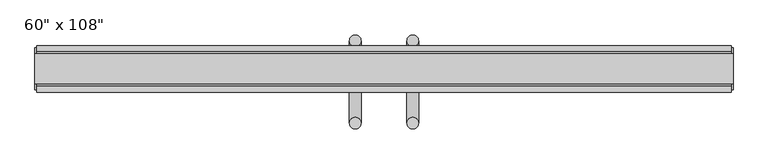
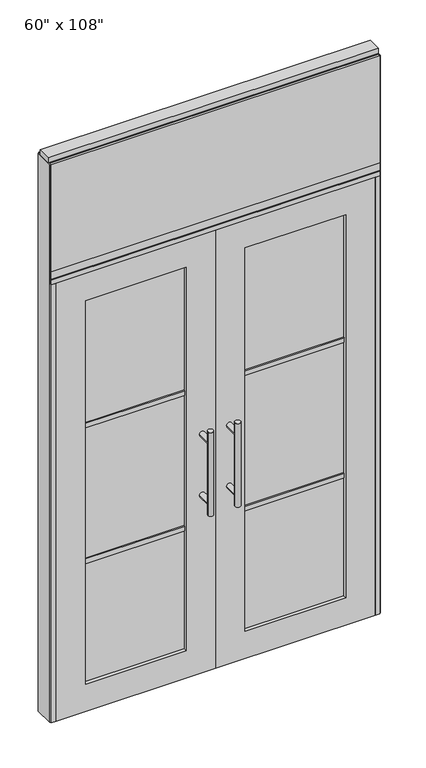
"""IFC4 building model written with IfcOpenShell, lengths in millimetres: furniture geometry."""

from ifc_helpers import new_model, si_unit, frame, origin, origin_with_axes, place, context, project, spatial, polyline, circle_curve, ellipse_curve, outline, extrude, source, transform, mapped, element, save
from ifc_brep_helpers import plane_surface, cylinder_surface, advanced_brep


def furniture_99622d96(model_context):
    return source(origin(), model_context, "Body", "SolidModel", [
        extrude(outline(polyline([(698.0264771, 46.2822784), (698.0264771, 33.5822784), (-818.0995229, 33.5822784), (-818.0995229, 46.2822784), (698.0264771, 46.2822784)])), frame((0.0, 0.0, 2197.1), z_axis=(0.0, 0.0, 1.0), x_axis=(1.0, 0.0, 0.0)), (0.0, 0.0, 1.0), 520.7),
        extrude(outline(polyline([(698.0264771, -55.3177216), (-818.0995229, -55.3177216), (-818.0995229, -42.6177216), (698.0264771, -42.6177216), (698.0264771, -55.3177216)])), frame((0.0, 0.0, 2197.1), z_axis=(0.0, 0.0, 1.0), x_axis=(1.0, 0.0, 0.0)), (0.0, 0.0, 1.0), 520.7),
        advanced_brep(
        [(-110.0745229, 56.6962784, 1219.2), (-135.4745229, 56.6962784, 1219.2), (-110.0745229, 56.6962784, 812.8), (-135.4745229, 56.6962784, 812.8), (-110.0745229, 56.6962784, 1164.336), (-110.0745229, 56.6962784, 867.664), (-135.4745229, 56.6962784, 867.664), (-135.4745229, 56.6962784, 1164.336), (-110.0745229, -10.8677216, 1164.336), (-135.4745229, -10.8677216, 1164.336), (-110.0745229, -10.8677216, 867.664), (-135.4745229, -10.8677216, 867.664)],
        [
            (0, 1, circle_curve(frame((-122.7745229, 56.6962784, 1219.2), z_axis=(0.0, 0.0, 1.0), x_axis=(-1.0, 0.0, 0.0)), 12.7)),
            (1, 0, circle_curve(frame((-122.7745229, 56.6962784, 1219.2), z_axis=(0.0, 0.0, 1.0), x_axis=(-1.0, 0.0, 0.0)), 12.7)),
            (2, 3, circle_curve(frame((-122.7745229, 56.6962784, 812.8), z_axis=(0.0, 0.0, -1.0), x_axis=(-1.0, 0.0, 0.0)), 12.7)),
            (3, 2, circle_curve(frame((-122.7745229, 56.6962784, 812.8), z_axis=(0.0, 0.0, -1.0), x_axis=(-1.0, 0.0, 0.0)), 12.7)),
            (0, 4),
            (4, 5),
            (5, 2),
            (3, 6),
            (6, 7),
            (7, 1),
            (7, 4, ellipse_curve(frame((-122.7745229, 56.6962784, 1164.336), z_axis=(0.0, 0.707106781186565, 0.70710678118653), x_axis=(0.0, -0.70710678118653, 0.707106781186565)), 17.9605122, 12.7)),
            (5, 6, ellipse_curve(frame((-122.7745229, 56.6962784, 867.664), z_axis=(0.0, 0.70710678118653, -0.7071067811865649), x_axis=(0.0, 0.7071067811865648, 0.7071067811865301)), 17.9605122, 12.7)),
            (4, 7, ellipse_curve(frame((-122.7745229, 56.6962784, 1164.336), z_axis=(0.0, 0.70710678118653, -0.7071067811865649), x_axis=(0.0, 0.7071067811865648, 0.7071067811865301)), 17.9605122, 12.7)),
            (6, 5, ellipse_curve(frame((-122.7745229, 56.6962784, 867.664), z_axis=(0.0, 0.707106781186565, 0.70710678118653), x_axis=(0.0, -0.70710678118653, 0.707106781186565)), 17.9605122, 12.7)),
            (8, 9, circle_curve(frame((-122.7745229, -10.8677216, 1164.336), z_axis=(0.0, -1.0, 0.0), x_axis=(-1.0, 0.0, 0.0)), 12.7)),
            (9, 8, circle_curve(frame((-122.7745229, -10.8677216, 1164.336), z_axis=(0.0, -1.0, 0.0), x_axis=(-1.0, 0.0, 0.0)), 12.7)),
            (9, 7),
            (4, 8),
            (10, 11, circle_curve(frame((-122.7745229, -10.8677216, 867.664), z_axis=(0.0, -1.0, 0.0), x_axis=(-1.0, 0.0, 0.0)), 12.7)),
            (11, 10, circle_curve(frame((-122.7745229, -10.8677216, 867.664), z_axis=(0.0, -1.0, 0.0), x_axis=(-1.0, 0.0, 0.0)), 12.7)),
            (11, 6),
            (5, 10),
        ],
        [
            plane_surface(frame((-135.4745229, 56.6962784, 1219.2), z_axis=(0.0, 0.0, 1.0), x_axis=(0.0, -1.0, 0.0))),
            plane_surface(frame((-135.4745229, 56.6962784, 812.8), z_axis=(0.0, 0.0, -1.0), x_axis=(0.0, 1.0, 0.0))),
            cylinder_surface(frame((-122.7745229, 56.6962784, 812.8), z_axis=(0.0, 0.0, 1.0), x_axis=(-1.0, 0.0, 0.0)), 12.7),
            plane_surface(frame((-135.4745229, -10.8677216, 1164.336), z_axis=(0.0, -1.0, 0.0), x_axis=(0.0, 0.0, -1.0))),
            cylinder_surface(frame((-122.7745229, -10.8677216, 1164.336), z_axis=(0.0, 1.0, 0.0), x_axis=(-1.0, 0.0, 0.0)), 12.7),
            plane_surface(frame((-135.4745229, -10.8677216, 867.664), z_axis=(0.0, -1.0, 0.0), x_axis=(0.0, 0.0, -1.0))),
            cylinder_surface(frame((-122.7745229, -10.8677216, 867.664), z_axis=(0.0, 1.0, 0.0), x_axis=(-1.0, 0.0, 0.0)), 12.7),
        ],
        [
            (0, [[1, 2]]),
            (1, [[3, 4]]),
            (2, [[-1, 5, 6, 7, -4, 8, 9, 10]]),
            (2, [[-2, -10, 11, -5]]),
            (2, [[-3, -7, 12, -8]]),
            (2, [[13, -9, 14, -6]]),
            (3, [[15, 16]]),
            (4, [[-16, 17, -13, 18]]),
            (4, [[-15, -18, -11, -17]]),
            (5, [[19, 20]]),
            (6, [[-20, 21, -12, 22]]),
            (6, [[-19, -22, -14, -21]]),
        ],
    ),
        advanced_brep(
        [(-110.0745229, -122.8817216, 1219.2), (-135.4745229, -122.8817216, 1219.2), (-110.0745229, -122.8817216, 812.8), (-135.4745229, -122.8817216, 812.8), (-135.4745229, -122.8817216, 1164.336), (-135.4745229, -122.8817216, 867.664), (-110.0745229, -122.8817216, 867.664), (-110.0745229, -122.8817216, 1164.336), (-110.0745229, -55.3177216, 1164.336), (-135.4745229, -55.3177216, 1164.336), (-110.0745229, -55.3177216, 867.664), (-135.4745229, -55.3177216, 867.664)],
        [
            (0, 1, circle_curve(frame((-122.7745229, -122.8817216, 1219.2), z_axis=(0.0, 0.0, 1.0), x_axis=(-1.0, 0.0, 0.0)), 12.7)),
            (1, 0, circle_curve(frame((-122.7745229, -122.8817216, 1219.2), z_axis=(0.0, 0.0, 1.0), x_axis=(-1.0, 0.0, 0.0)), 12.7)),
            (2, 3, circle_curve(frame((-122.7745229, -122.8817216, 812.8), z_axis=(0.0, 0.0, -1.0), x_axis=(-1.0, 0.0, 0.0)), 12.7)),
            (3, 2, circle_curve(frame((-122.7745229, -122.8817216, 812.8), z_axis=(0.0, 0.0, -1.0), x_axis=(-1.0, 0.0, 0.0)), 12.7)),
            (1, 4),
            (4, 5),
            (5, 3),
            (2, 6),
            (6, 7),
            (7, 0),
            (6, 5, ellipse_curve(frame((-122.7745229, -122.8817216, 867.664), z_axis=(0.0, -0.707106781186565, 0.70710678118653), x_axis=(0.0, 0.70710678118653, 0.707106781186565)), 17.9605122, 12.7)),
            (4, 7, ellipse_curve(frame((-122.7745229, -122.8817216, 1164.336), z_axis=(0.0, -0.70710678118653, -0.7071067811865649), x_axis=(0.0, -0.7071067811865648, 0.7071067811865301)), 17.9605122, 12.7)),
            (7, 4, ellipse_curve(frame((-122.7745229, -122.8817216, 1164.336), z_axis=(0.0, -0.707106781186565, 0.70710678118653), x_axis=(0.0, 0.70710678118653, 0.707106781186565)), 17.9605122, 12.7)),
            (5, 6, ellipse_curve(frame((-122.7745229, -122.8817216, 867.664), z_axis=(0.0, -0.70710678118653, -0.7071067811865649), x_axis=(0.0, -0.7071067811865648, 0.7071067811865301)), 17.9605122, 12.7)),
            (8, 9, circle_curve(frame((-122.7745229, -55.3177216, 1164.336), z_axis=(0.0, 1.0, 0.0), x_axis=(-1.0, 0.0, 0.0)), 12.7)),
            (9, 8, circle_curve(frame((-122.7745229, -55.3177216, 1164.336), z_axis=(0.0, 1.0, 0.0), x_axis=(-1.0, 0.0, 0.0)), 12.7)),
            (8, 7),
            (4, 9),
            (10, 11, circle_curve(frame((-122.7745229, -55.3177216, 867.664), z_axis=(0.0, 1.0, 0.0), x_axis=(-1.0, 0.0, 0.0)), 12.7)),
            (11, 10, circle_curve(frame((-122.7745229, -55.3177216, 867.664), z_axis=(0.0, 1.0, 0.0), x_axis=(-1.0, 0.0, 0.0)), 12.7)),
            (10, 6),
            (5, 11),
        ],
        [
            plane_surface(frame((-135.4745229, -122.8817216, 1219.2), z_axis=(0.0, 0.0, 1.0), x_axis=(0.0, 1.0, 0.0))),
            plane_surface(frame((-135.4745229, -122.8817216, 812.8), z_axis=(0.0, 0.0, -1.0), x_axis=(0.0, -1.0, 0.0))),
            cylinder_surface(frame((-122.7745229, -122.8817216, 812.8), z_axis=(0.0, 0.0, 1.0), x_axis=(-1.0, 0.0, 0.0)), 12.7),
            plane_surface(frame((-135.4745229, -55.3177216, 1164.336), z_axis=(0.0, 1.0, 0.0), x_axis=(0.0, 0.0, -1.0))),
            cylinder_surface(frame((-122.7745229, -55.3177216, 1164.336), z_axis=(0.0, -1.0, 0.0), x_axis=(-1.0, 0.0, 0.0)), 12.7),
            plane_surface(frame((-135.4745229, -55.3177216, 867.664), z_axis=(0.0, 1.0, 0.0), x_axis=(0.0, 0.0, -1.0))),
            cylinder_surface(frame((-122.7745229, -55.3177216, 867.664), z_axis=(0.0, -1.0, 0.0), x_axis=(-1.0, 0.0, 0.0)), 12.7),
        ],
        [
            (0, [[1, 2]]),
            (1, [[3, 4]]),
            (2, [[5, 6, 7, -3, 8, 9, 10, -2]]),
            (2, [[-9, 11, -6, 12]]),
            (2, [[-10, 13, -5, -1]]),
            (2, [[-7, 14, -8, -4]]),
            (3, [[15, 16]]),
            (4, [[17, -12, 18, -15]]),
            (4, [[-18, -13, -17, -16]]),
            (5, [[19, 20]]),
            (6, [[21, -14, 22, -19]]),
            (6, [[-22, -11, -21, -20]]),
        ],
    ),
        extrude(outline(polyline([(-196.0535229, -44.2052216), (-659.8575229, -44.2052216), (-659.8575229, -21.9802216), (-196.0535229, -21.9802216), (-196.0535229, -44.2052216)])), frame((0.0, 0.0, 1371.6), z_axis=(0.0, 0.0, 1.0), x_axis=(1.0, 0.0, 0.0)), (0.0, 0.0, 1.0), 22.225),
        extrude(outline(polyline([(-196.0535229, -44.2052216), (-659.8575229, -44.2052216), (-659.8575229, -21.9802216), (-196.0535229, -21.9802216), (-196.0535229, -44.2052216)])), frame((0.0, 0.0, 711.2), z_axis=(0.0, 0.0, 1.0), x_axis=(1.0, 0.0, 0.0)), (0.0, 0.0, 1.0), 22.225),
        extrude(outline(polyline([(-659.8575229, -38.1727216), (-659.8575229, -28.0127216), (-196.0535229, -28.0127216), (-196.0535229, -38.1727216), (-659.8575229, -38.1727216)])), frame((0.0, 0.0, 132.969), z_axis=(0.0, 0.0, 1.0), x_axis=(1.0, 0.0, 0.0)), (0.0, 0.0, 1.0), 1867.662),
        extrude(outline(polyline([(2133.6, -795.8745229), (0.0, -795.8745229), (0.0, -60.0365229), (2133.6, -60.0365229), (2133.6, -795.8745229)]), holes=[polyline([(2000.631, -659.8575229), (2000.631, -196.0535229), (132.969, -196.0535229), (132.969, -659.8575229), (2000.631, -659.8575229)])]), frame((0.0, -55.3177216, 0.0), z_axis=(0.0, 1.0, 0.0), x_axis=(0.0, 0.0, 1.0)), (0.0, 0.0, 1.0), 44.45),
        advanced_brep(
        [(-9.9985229, 56.6962784, 1219.2), (15.4014771, 56.6962784, 1219.2), (-9.9985229, 56.6962784, 812.8), (15.4014771, 56.6962784, 812.8), (15.4014771, 56.6962784, 1164.336), (15.4014771, 56.6962784, 867.664), (-9.9985229, 56.6962784, 867.664), (-9.9985229, 56.6962784, 1164.336), (-9.9985229, -10.8677216, 1164.336), (15.4014771, -10.8677216, 1164.336), (-9.9985229, -10.8677216, 867.664), (15.4014771, -10.8677216, 867.664)],
        [
            (0, 1, circle_curve(frame((2.7014771, 56.6962784, 1219.2), z_axis=(0.0, 0.0, 1.0), x_axis=(1.0, 0.0, 0.0)), 12.7)),
            (1, 0, circle_curve(frame((2.7014771, 56.6962784, 1219.2), z_axis=(0.0, 0.0, 1.0), x_axis=(1.0, 0.0, 0.0)), 12.7)),
            (2, 3, circle_curve(frame((2.7014771, 56.6962784, 812.8), z_axis=(0.0, 0.0, -1.0), x_axis=(1.0, 0.0, 0.0)), 12.7)),
            (3, 2, circle_curve(frame((2.7014771, 56.6962784, 812.8), z_axis=(0.0, 0.0, -1.0), x_axis=(1.0, 0.0, 0.0)), 12.7)),
            (1, 4),
            (4, 5),
            (5, 3),
            (2, 6),
            (6, 7),
            (7, 0),
            (6, 5, ellipse_curve(frame((2.7014771, 56.6962784, 867.664), z_axis=(0.0, 0.707106781186565, 0.70710678118653), x_axis=(0.0, -0.70710678118653, 0.707106781186565)), 17.9605122, 12.7)),
            (4, 7, ellipse_curve(frame((2.7014771, 56.6962784, 1164.336), z_axis=(0.0, 0.70710678118653, -0.7071067811865649), x_axis=(0.0, 0.7071067811865648, 0.7071067811865301)), 17.9605122, 12.7)),
            (7, 4, ellipse_curve(frame((2.7014771, 56.6962784, 1164.336), z_axis=(0.0, 0.707106781186565, 0.70710678118653), x_axis=(0.0, -0.70710678118653, 0.707106781186565)), 17.9605122, 12.7)),
            (5, 6, ellipse_curve(frame((2.7014771, 56.6962784, 867.664), z_axis=(0.0, 0.70710678118653, -0.7071067811865649), x_axis=(0.0, 0.7071067811865648, 0.7071067811865301)), 17.9605122, 12.7)),
            (8, 9, circle_curve(frame((2.7014771, -10.8677216, 1164.336), z_axis=(0.0, -1.0, 0.0), x_axis=(1.0, 0.0, 0.0)), 12.7)),
            (9, 8, circle_curve(frame((2.7014771, -10.8677216, 1164.336), z_axis=(0.0, -1.0, 0.0), x_axis=(1.0, 0.0, 0.0)), 12.7)),
            (8, 7),
            (4, 9),
            (10, 11, circle_curve(frame((2.7014771, -10.8677216, 867.664), z_axis=(0.0, -1.0, 0.0), x_axis=(1.0, 0.0, 0.0)), 12.7)),
            (11, 10, circle_curve(frame((2.7014771, -10.8677216, 867.664), z_axis=(0.0, -1.0, 0.0), x_axis=(1.0, 0.0, 0.0)), 12.7)),
            (10, 6),
            (5, 11),
        ],
        [
            plane_surface(frame((15.4014771, 56.6962784, 1219.2), z_axis=(0.0, 0.0, 1.0), x_axis=(0.0, -1.0, 0.0))),
            plane_surface(frame((15.4014771, 56.6962784, 812.8), z_axis=(0.0, 0.0, -1.0), x_axis=(0.0, 1.0, 0.0))),
            cylinder_surface(frame((2.7014771, 56.6962784, 812.8), z_axis=(0.0, 0.0, 1.0), x_axis=(1.0, 0.0, 0.0)), 12.7),
            plane_surface(frame((15.4014771, -10.8677216, 1164.336), z_axis=(0.0, -1.0, 0.0), x_axis=(0.0, 0.0, -1.0))),
            cylinder_surface(frame((2.7014771, -10.8677216, 1164.336), z_axis=(0.0, 1.0, 0.0), x_axis=(1.0, 0.0, 0.0)), 12.7),
            plane_surface(frame((15.4014771, -10.8677216, 867.664), z_axis=(0.0, -1.0, 0.0), x_axis=(0.0, 0.0, -1.0))),
            cylinder_surface(frame((2.7014771, -10.8677216, 867.664), z_axis=(0.0, 1.0, 0.0), x_axis=(1.0, 0.0, 0.0)), 12.7),
        ],
        [
            (0, [[1, 2]]),
            (1, [[3, 4]]),
            (2, [[5, 6, 7, -3, 8, 9, 10, -2]]),
            (2, [[-9, 11, -6, 12]]),
            (2, [[-10, 13, -5, -1]]),
            (2, [[-7, 14, -8, -4]]),
            (3, [[15, 16]]),
            (4, [[17, -12, 18, -15]]),
            (4, [[-18, -13, -17, -16]]),
            (5, [[19, 20]]),
            (6, [[21, -14, 22, -19]]),
            (6, [[-22, -11, -21, -20]]),
        ],
    ),
        advanced_brep(
        [(-9.9985229, -122.8817216, 1219.2), (15.4014771, -122.8817216, 1219.2), (-9.9985229, -122.8817216, 812.8), (15.4014771, -122.8817216, 812.8), (-9.9985229, -122.8817216, 1164.336), (-9.9985229, -122.8817216, 867.664), (15.4014771, -122.8817216, 867.664), (15.4014771, -122.8817216, 1164.336), (-9.9985229, -55.3177216, 1164.336), (15.4014771, -55.3177216, 1164.336), (-9.9985229, -55.3177216, 867.664), (15.4014771, -55.3177216, 867.664)],
        [
            (0, 1, circle_curve(frame((2.7014771, -122.8817216, 1219.2), z_axis=(0.0, 0.0, 1.0), x_axis=(1.0, 0.0, 0.0)), 12.7)),
            (1, 0, circle_curve(frame((2.7014771, -122.8817216, 1219.2), z_axis=(0.0, 0.0, 1.0), x_axis=(1.0, 0.0, 0.0)), 12.7)),
            (2, 3, circle_curve(frame((2.7014771, -122.8817216, 812.8), z_axis=(0.0, 0.0, -1.0), x_axis=(1.0, 0.0, 0.0)), 12.7)),
            (3, 2, circle_curve(frame((2.7014771, -122.8817216, 812.8), z_axis=(0.0, 0.0, -1.0), x_axis=(1.0, 0.0, 0.0)), 12.7)),
            (0, 4),
            (4, 5),
            (5, 2),
            (3, 6),
            (6, 7),
            (7, 1),
            (7, 4, ellipse_curve(frame((2.7014771, -122.8817216, 1164.336), z_axis=(0.0, -0.707106781186565, 0.70710678118653), x_axis=(0.0, 0.70710678118653, 0.707106781186565)), 17.9605122, 12.7)),
            (5, 6, ellipse_curve(frame((2.7014771, -122.8817216, 867.664), z_axis=(0.0, -0.70710678118653, -0.7071067811865649), x_axis=(0.0, -0.7071067811865648, 0.7071067811865301)), 17.9605122, 12.7)),
            (4, 7, ellipse_curve(frame((2.7014771, -122.8817216, 1164.336), z_axis=(0.0, -0.70710678118653, -0.7071067811865649), x_axis=(0.0, -0.7071067811865648, 0.7071067811865301)), 17.9605122, 12.7)),
            (6, 5, ellipse_curve(frame((2.7014771, -122.8817216, 867.664), z_axis=(0.0, -0.707106781186565, 0.70710678118653), x_axis=(0.0, 0.70710678118653, 0.707106781186565)), 17.9605122, 12.7)),
            (8, 9, circle_curve(frame((2.7014771, -55.3177216, 1164.336), z_axis=(0.0, 1.0, 0.0), x_axis=(1.0, 0.0, 0.0)), 12.7)),
            (9, 8, circle_curve(frame((2.7014771, -55.3177216, 1164.336), z_axis=(0.0, 1.0, 0.0), x_axis=(1.0, 0.0, 0.0)), 12.7)),
            (9, 7),
            (4, 8),
            (10, 11, circle_curve(frame((2.7014771, -55.3177216, 867.664), z_axis=(0.0, 1.0, 0.0), x_axis=(1.0, 0.0, 0.0)), 12.7)),
            (11, 10, circle_curve(frame((2.7014771, -55.3177216, 867.664), z_axis=(0.0, 1.0, 0.0), x_axis=(1.0, 0.0, 0.0)), 12.7)),
            (11, 6),
            (5, 10),
        ],
        [
            plane_surface(frame((15.4014771, -122.8817216, 1219.2), z_axis=(0.0, 0.0, 1.0), x_axis=(0.0, 1.0, 0.0))),
            plane_surface(frame((15.4014771, -122.8817216, 812.8), z_axis=(0.0, 0.0, -1.0), x_axis=(0.0, -1.0, 0.0))),
            cylinder_surface(frame((2.7014771, -122.8817216, 812.8), z_axis=(0.0, 0.0, 1.0), x_axis=(1.0, 0.0, 0.0)), 12.7),
            plane_surface(frame((15.4014771, -55.3177216, 1164.336), z_axis=(0.0, 1.0, 0.0), x_axis=(0.0, 0.0, -1.0))),
            cylinder_surface(frame((2.7014771, -55.3177216, 1164.336), z_axis=(0.0, -1.0, 0.0), x_axis=(1.0, 0.0, 0.0)), 12.7),
            plane_surface(frame((15.4014771, -55.3177216, 867.664), z_axis=(0.0, 1.0, 0.0), x_axis=(0.0, 0.0, -1.0))),
            cylinder_surface(frame((2.7014771, -55.3177216, 867.664), z_axis=(0.0, -1.0, 0.0), x_axis=(1.0, 0.0, 0.0)), 12.7),
        ],
        [
            (0, [[1, 2]]),
            (1, [[3, 4]]),
            (2, [[-1, 5, 6, 7, -4, 8, 9, 10]]),
            (2, [[-2, -10, 11, -5]]),
            (2, [[-3, -7, 12, -8]]),
            (2, [[13, -9, 14, -6]]),
            (3, [[15, 16]]),
            (4, [[-16, 17, -13, 18]]),
            (4, [[-15, -18, -11, -17]]),
            (5, [[19, 20]]),
            (6, [[-20, 21, -12, 22]]),
            (6, [[-19, -22, -14, -21]]),
        ],
    ),
        extrude(outline(polyline([(75.9804771, -44.2052216), (75.9804771, -21.9802216), (539.7844771, -21.9802216), (539.7844771, -44.2052216), (75.9804771, -44.2052216)])), frame((0.0, 0.0, 1371.6), z_axis=(0.0, 0.0, 1.0), x_axis=(1.0, 0.0, 0.0)), (0.0, 0.0, 1.0), 22.225),
        extrude(outline(polyline([(75.9804771, -44.2052216), (75.9804771, -21.9802216), (539.7844771, -21.9802216), (539.7844771, -44.2052216), (75.9804771, -44.2052216)])), frame((0.0, 0.0, 711.2), z_axis=(0.0, 0.0, 1.0), x_axis=(1.0, 0.0, 0.0)), (0.0, 0.0, 1.0), 22.225),
        extrude(outline(polyline([(539.7844771, -38.1727216), (75.9804771, -38.1727216), (75.9804771, -28.0127216), (539.7844771, -28.0127216), (539.7844771, -38.1727216)])), frame((0.0, 0.0, 132.969), z_axis=(0.0, 0.0, 1.0), x_axis=(1.0, 0.0, 0.0)), (0.0, 0.0, 1.0), 1867.662),
        extrude(outline(polyline([(2133.6, 675.8014771), (2133.6, -60.0365229), (0.0, -60.0365229), (0.0, 675.8014771), (2133.6, 675.8014771)]), holes=[polyline([(2000.631, 539.7844771), (132.969, 539.7844771), (132.969, 75.9804771), (2000.631, 75.9804771), (2000.631, 539.7844771)])]), frame((0.0, -55.3177216, 0.0), z_axis=(0.0, 1.0, 0.0), x_axis=(0.0, 0.0, 1.0)), (0.0, 0.0, 1.0), 44.45),
        extrude(outline(polyline([(-42.6177216, 2681.478), (-42.6177216, 2717.8), (33.5822784, 2717.8), (33.5822784, 2681.478), (28.6292784, 2681.478), (28.6292784, 2676.525), (-37.6647216, 2676.525), (-37.6647216, 2681.478), (-42.6177216, 2681.478)])), frame((-818.0995229, 0.0, 0.0), z_axis=(1.0, 0.0, 0.0), x_axis=(0.0, 1.0, 0.0)), (0.0, 0.0, 1.0), 1516.126),
        extrude(outline(polyline([(-818.0995229, -55.3177216), (-818.0995229, 46.2822784), (698.0264771, 46.2822784), (698.0264771, -55.3177216), (-818.0995229, -55.3177216)])), frame((0.0, 0.0, 2133.6), z_axis=(0.0, 0.0, 1.0), x_axis=(1.0, 0.0, 0.0)), (0.0, 0.0, 1.0), 22.225),
        extrude(outline(polyline([(-55.3177216, 2160.778), (-55.3177216, 2197.1), (46.2822784, 2197.1), (46.2822784, 2160.778), (41.3292784, 2160.778), (41.3292784, 2155.825), (-50.3647216, 2155.825), (-50.3647216, 2160.778), (-55.3177216, 2160.778)])), frame((-818.0995229, 0.0, 0.0), z_axis=(1.0, 0.0, 0.0), x_axis=(0.0, 1.0, 0.0)), (0.0, 0.0, 1.0), 1516.126),
        extrude(outline(polyline([(701.9634771, -50.3647216), (698.0264771, -50.3647216), (698.0264771, 41.3292784), (701.9634771, 41.3292784), (701.9634771, -50.3647216)])), origin_with_axes(), (0.0, 0.0, 1.0), 2717.8),
        extrude(outline(polyline([(-822.0365229, -50.3647216), (-822.0365229, 41.3292784), (-818.0995229, 41.3292784), (-818.0995229, -50.3647216), (-822.0365229, -50.3647216)])), origin_with_axes(), (0.0, 0.0, 1.0), 2717.8),
        extrude(outline(polyline([(675.8014771, -55.3177216), (675.8014771, 46.2822784), (698.0264771, 46.2822784), (698.0264771, -55.3177216), (675.8014771, -55.3177216)])), origin_with_axes(), (0.0, 0.0, 1.0), 2133.6),
        extrude(outline(polyline([(-795.8745229, -55.3177216), (-818.0995229, -55.3177216), (-818.0995229, 46.2822784), (-795.8745229, 46.2822784), (-795.8745229, -55.3177216)])), origin_with_axes(), (0.0, 0.0, 1.0), 2133.6),
        extrude(outline(polyline([(-822.0365229, -37.0297216), (-822.0365229, 27.9942784), (701.9634771, 27.9942784), (701.9634771, -37.0297216), (-822.0365229, -37.0297216)])), frame((0.0, 0.0, 2717.8), z_axis=(0.0, 0.0, 1.0), x_axis=(1.0, 0.0, 0.0)), (0.0, 0.0, 1.0), 25.4),
    ])


if __name__ == "__main__":
    model = new_model("IFC4")
    model_context = context("Model", 3, world=origin())
    ifc_project = project(units=[si_unit("LENGTHUNIT", "METRE", prefix="MILLI")], contexts=[model_context])
    site = spatial("IfcSite", under=ifc_project)
    building = spatial("IfcBuilding", under=site)
    placement = place(None, origin())
    furniture_shape = furniture_99622d96(model_context)
    element("IfcFurniture", 1, ObjectType="60\" x 108\"", at=placement, inside=building, context=model_context, shape_type="MappedRepresentation", body=[
        mapped(furniture_shape, transform((0.0, 0.0, 0.0), x_axis=(1.0, 0.0, 0.0), y_axis=(0.0, 1.0, 0.0), z_axis=(0.0, 0.0, 1.0))),
    ])
    save(model, "model.ifc")
